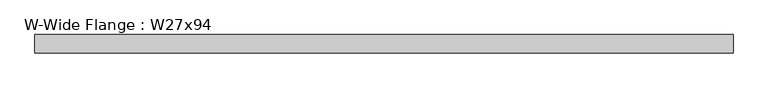
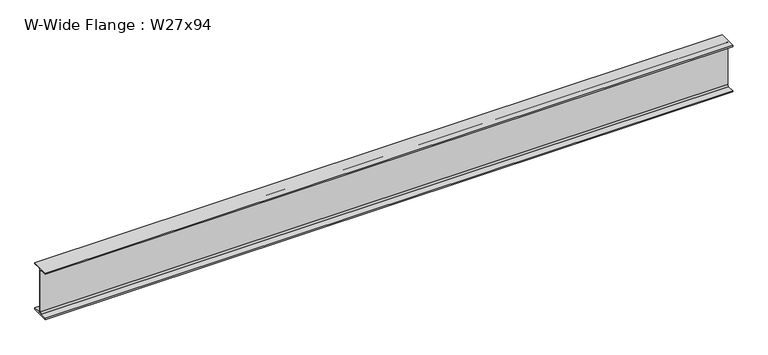
"""IFC4 building model written with IfcOpenShell, lengths in millimetres: beam geometry, W-Wide Flange : W27x94."""

from ifc_helpers import new_model, si_unit, point, frame, frame_2d, origin, place, context, project, spatial, polyline, circle_curve, trimmed, segment, composite_curve, outline, extrude, source, transform, mapped, element, save


def w_wide_flange_w27x94_b4f0cb34(model_context):
    return source(origin(), model_context, "Body", "SweptSolid", [
        extrude(outline(composite_curve([segment(polyline([(127.0, -322.707), (127.0, -341.63), (-127.0, -341.63), (-127.0, -322.707), (-28.575, -322.707)]), True, "CONTINUOUS"), segment(trimmed(circle_curve(frame_2d((-28.575, -300.355)), 22.352), [point((-28.575, -322.707))], [point((-6.223, -300.355))], True, "CARTESIAN"), True, "CONTINUOUS"), segment(polyline([(-6.223, -300.355), (-6.223, 300.355)]), True, "CONTINUOUS"), segment(trimmed(circle_curve(frame_2d((-28.575, 300.355)), 22.352), [point((-6.223, 300.355))], [point((-28.575, 322.707))], True, "CARTESIAN"), True, "CONTINUOUS"), segment(polyline([(-28.575, 322.707), (-127.0, 322.707), (-127.0, 341.63), (127.0, 341.63), (127.0, 322.707), (28.575, 322.707)]), True, "CONTINUOUS"), segment(trimmed(circle_curve(frame_2d((28.575, 300.355)), 22.352), [point((28.575, 322.707))], [point((6.223, 300.355))], True, "CARTESIAN"), True, "CONTINUOUS"), segment(polyline([(6.223, 300.355), (6.223, -300.355)]), True, "CONTINUOUS"), segment(trimmed(circle_curve(frame_2d((28.575, -300.355)), 22.352), [point((6.223, -300.355))], [point((28.575, -322.707))], True, "CARTESIAN"), True, "CONTINUOUS"), segment(polyline([(28.575, -322.707), (127.0, -322.707)]), True, "CONTINUOUS")], self_intersect=False)), frame((-4783.1225008, 0.0, 0.0), z_axis=(1.0, 0.0, 0.0), x_axis=(0.0, 1.0, 0.0)), (0.0, 0.0, 1.0), 9544.6550017),
    ])


if __name__ == "__main__":
    model = new_model("IFC4")
    model_context = context("Model", 3, world=origin())
    ifc_project = project(units=[si_unit("LENGTHUNIT", "METRE", prefix="MILLI")], contexts=[model_context])
    site = spatial("IfcSite", under=ifc_project)
    building = spatial("IfcBuilding", under=site)
    placement = place(None, origin())
    w_wide_flange_w27x94_shape = w_wide_flange_w27x94_b4f0cb34(model_context)
    element("IfcBeam", 1, ObjectType="W-Wide Flange : W27x94", at=placement, inside=building, context=model_context, shape_type="MappedRepresentation", body=[
        mapped(w_wide_flange_w27x94_shape, transform((0.0, 0.0, 0.0), x_axis=(1.0, 0.0, 0.0), y_axis=(0.0, 1.0, 0.0), z_axis=(0.0, 0.0, 1.0))),
    ])
    save(model, "model.ifc")
